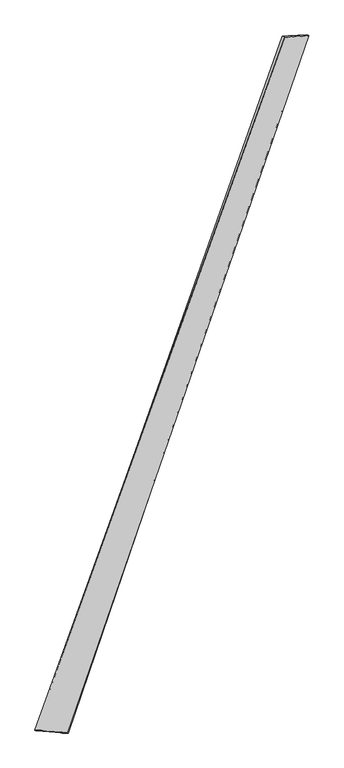
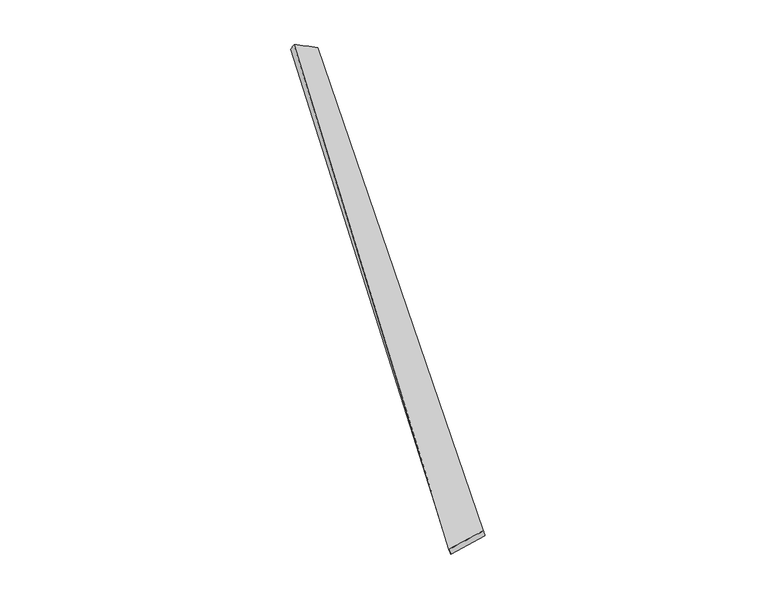
"""IFC4 building model written with IfcOpenShell, lengths in millimetres: proxy geometry."""

from ifc_helpers import new_model, si_unit, origin, place, context, project, spatial, source, transform, mapped, element, save
from ifc_brep_helpers import spline_surface, advanced_brep


def generic_models_5e1c45b6(model_context):
    return source(origin(), model_context, "Body", "AdvancedBrep", [
        advanced_brep(
        [(-714.8095517, -1810.8508643, -26.7355147), (-723.7628266, -1808.1320826, 1.7679429), (717.5070546, 2188.1425954, 62.5011935), (703.1921028, 2193.6201934, 36.7120858), (-538.6478367, -1821.4604923, 55.5118595), (856.4382088, 2197.4526374, -10.0908924), (-531.3158819, -1824.4168862, 26.5722297), (842.9333309, 2201.6475572, -36.5488008)],
        [
            (0, 1),
            (1, 2),
            (2, 3),
            (3, 0),
            (1, 4),
            (4, 5),
            (5, 2),
            (4, 6),
            (6, 7),
            (7, 5),
            (6, 0),
            (3, 7),
        ],
        [
            spline_surface(1, 1, [[(-714.8095517, -1810.8508643, -26.7355147), (703.1921028, 2193.6201934, 36.7120858)], [(-723.7628266, -1808.1320826, 1.7679429), (717.5070546, 2188.1425954, 62.5011935)]], [2, 2], [2, 2], [0.0, 1.0], [0.0, 1.0]),
            spline_surface(1, 1, [[(-723.7628266, -1808.1320826, 1.7679429), (717.5070546, 2188.1425954, 62.5011935)], [(-538.6478367, -1821.4604923, 55.5118595), (856.4382088, 2197.4526374, -10.0908924)]], [2, 2], [2, 2], [0.0, 1.0], [0.0, 1.0]),
            spline_surface(1, 1, [[(-538.6478367, -1821.4604923, 55.5118595), (856.4382088, 2197.4526374, -10.0908924)], [(-531.3158819, -1824.4168862, 26.5722297), (842.9333309, 2201.6475572, -36.5488008)]], [2, 2], [2, 2], [0.0, 1.0], [0.0, 1.0]),
            spline_surface(1, 1, [[(-531.3158819, -1824.4168862, 26.5722297), (842.9333309, 2201.6475572, -36.5488008)], [(-714.8095517, -1810.8508643, -26.7355147), (703.1921028, 2193.6201934, 36.7120858)]], [2, 2], [2, 2], [0.0, 1.0], [0.0, 1.0]),
            spline_surface(1, 1, [[(717.5070546, 2188.1425954, 62.5011935), (703.1921028, 2193.6201934, 36.7120858)], [(856.4382088, 2197.4526374, -10.0908924), (842.9333309, 2201.6475572, -36.5488008)]], [2, 2], [2, 2], [0.0, 1.0], [0.0, 1.0]),
            spline_surface(1, 1, [[(-531.3158819, -1824.4168862, 26.5722297), (-714.8095517, -1810.8508643, -26.7355147)], [(-538.6478367, -1821.4604923, 55.5118595), (-723.7628266, -1808.1320826, 1.7679429)]], [2, 2], [2, 2], [0.0, 1.0], [0.0, 1.0]),
        ],
        [
            (0, [[1, 2, 3, 4]]),
            (1, [[5, 6, 7, -2]]),
            (2, [[8, 9, 10, -6]]),
            (3, [[11, -4, 12, -9]]),
            (4, [[-3, -7, -10, -12]]),
            (5, [[-11, -8, -5, -1]]),
        ],
    ),
    ])


if __name__ == "__main__":
    model = new_model("IFC4")
    model_context = context("Model", 3, world=origin())
    ifc_project = project(units=[si_unit("LENGTHUNIT", "METRE", prefix="MILLI")], contexts=[model_context])
    site = spatial("IfcSite", under=ifc_project)
    building = spatial("IfcBuilding", under=site)
    placement = place(None, origin())
    generic_models_shape = generic_models_5e1c45b6(model_context)
    element("IfcBuildingElementProxy", 1, Name="Generic Models", at=placement, inside=building, context=model_context, shape_type="MappedRepresentation", body=[
        mapped(generic_models_shape, transform((0.0, 0.0, 0.0), x_axis=(1.0, 0.0, 0.0), y_axis=(0.0, 1.0, 0.0), z_axis=(0.0, 0.0, 1.0))),
    ])
    save(model, "model.ifc")
